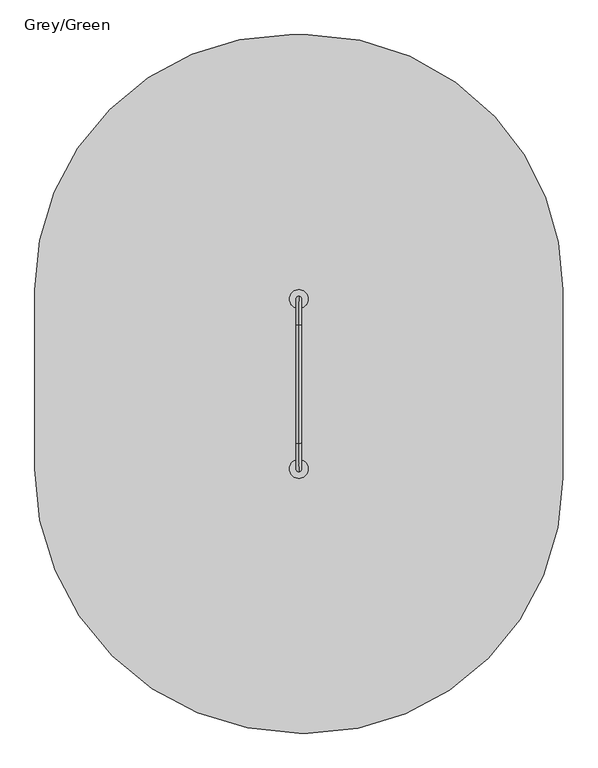
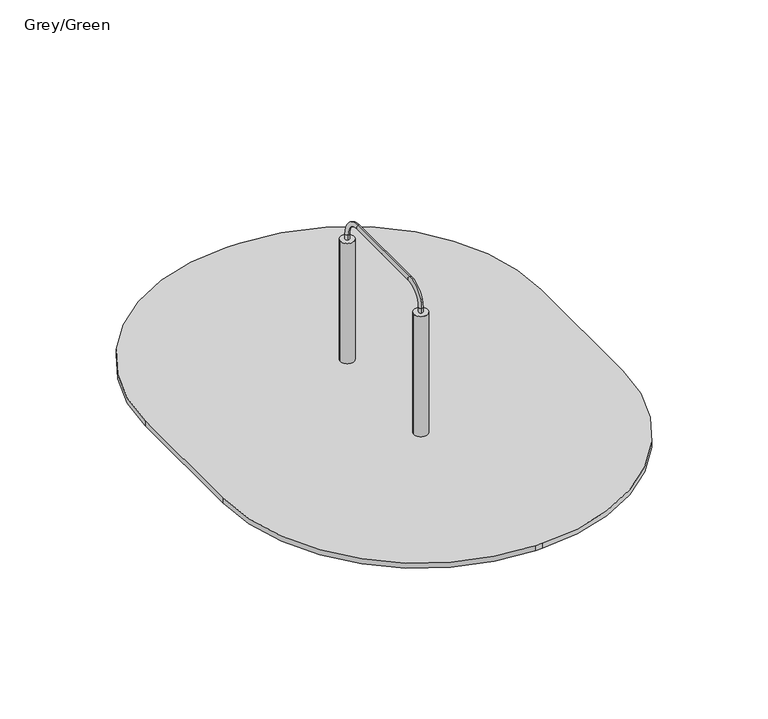
"""IFC4 building model written with IfcOpenShell, lengths in millimetres: furniture geometry, Grey/Green."""

import ifcopenshell
import ifcopenshell.guid

model = None  # the IFC model being written
_history = None  # IfcOwnerHistory: only IFC2X3 demands one
_inside = {}  # id of a spatial element -> (the spatial element, [elements in it])
_under = {}  # id of a project, library or spatial element -> (it, [spatial elements below it])
_declared = {}  # id of a project -> (the project, [libraries it declares])
_typed = {}  # id of a type object -> (the type object, [elements of that type])
_made_of = {}  # id of a material, layer set ... -> (it, [elements and type objects made of it])


def new_model(schema):
    """Start an empty IFC model of exactly this schema.

    Asked for "IFC4X3", IfcOpenShell would pick the latest addendum, in which some entities
    have other attributes; the version numbers below select the first issue.
    IFC2X3 requires an IfcOwnerHistory on every rooted entity: one is made here for all.
    """
    global model, _history
    if schema == "IFC4X3":
        model = ifcopenshell.file(schema_version=(4, 3, 0, 0))
    else:
        model = ifcopenshell.file(schema=schema)
    _inside.clear()
    _under.clear()
    _declared.clear()
    _typed.clear()
    _made_of.clear()
    _history = None
    if model.schema == "IFC2X3":
        org = make("IfcOrganization", Name="unknown")
        user = make(
            "IfcPersonAndOrganization",
            ThePerson=make("IfcPerson", FamilyName="unknown"),
            TheOrganization=org,
        )
        app = make(
            "IfcApplication",
            ApplicationDeveloper=org,
            Version="unknown",
            ApplicationFullName="unknown",
            ApplicationIdentifier="unknown",
        )
        _history = make(
            "IfcOwnerHistory",
            OwningUser=user,
            OwningApplication=app,
            ChangeAction="ADDED",
            CreationDate=0,
        )
    return model


def make(cls, **values):
    """One entity of the class cls with the attributes given. An attribute that is None is left unset."""
    return model.create_entity(
        cls, **{name: value for name, value in values.items() if value is not None}
    )


def rooted(cls, **values):
    """An entity with a GlobalId (a new one), such as an element, a storey or a relation."""
    return make(cls, GlobalId=ifcopenshell.guid.new(), OwnerHistory=_history, **values)


def si_unit(unit_type, name, prefix=None):
    """IfcSIUnit, for example si_unit("LENGTHUNIT", "METRE", prefix="MILLI")."""
    return make("IfcSIUnit", UnitType=unit_type, Prefix=prefix, Name=name)


def assignment(units):
    """IfcUnitAssignment: the units of a project."""
    return None if units is None else make("IfcUnitAssignment", Units=units)


def point(xyz):
    """IfcCartesianPoint."""
    return None if xyz is None else make("IfcCartesianPoint", Coordinates=xyz)


def direction(xyz):
    """IfcDirection."""
    return None if xyz is None else make("IfcDirection", DirectionRatios=xyz)


def frame(location, z_axis=None, x_axis=None):
    """IfcAxis2Placement3D, a coordinate frame: its origin and axes. An axis left out is left unset."""
    return make(
        "IfcAxis2Placement3D",
        Location=point(location),
        Axis=direction(z_axis),
        RefDirection=direction(x_axis),
    )


def frame_2d(location, x_axis=None):
    """IfcAxis2Placement2D, a coordinate frame in the plane: its origin and x axis."""
    return make(
        "IfcAxis2Placement2D", Location=point(location), RefDirection=direction(x_axis)
    )


def origin():
    """The frame at (0, 0, 0) with its axes left unset."""
    return frame((0.0, 0.0, 0.0))


def place(relative_to, where):
    """IfcLocalPlacement: puts the frame where relative to a parent placement (None: the world)."""
    return make(
        "IfcLocalPlacement", PlacementRelTo=relative_to, RelativePlacement=where
    )


def context(
    kind, dimensions, precision=None, world=None, true_north=None, identifier=None
):
    """IfcGeometricRepresentationContext, for example the 3D "Model" context."""
    return make(
        "IfcGeometricRepresentationContext",
        ContextIdentifier=identifier,
        ContextType=kind,
        CoordinateSpaceDimension=dimensions,
        Precision=precision,
        WorldCoordinateSystem=world,
        TrueNorth=true_north,
    )


def project(units=None, contexts=None):
    """IfcProject with its units and contexts."""
    return rooted(
        "IfcProject",
        Name="project",
        RepresentationContexts=contexts,
        UnitsInContext=assignment(units),
    )


def spatial(cls, under=None, at=None, **own):
    """A site, building, storey or space (cls), placed at a placement, below another one or the project."""
    s = rooted(cls, ObjectPlacement=at, **own)
    if under is not None:
        _under.setdefault(under.id(), (under, []))[1].append(s)
    return s


def polyline(points):
    """IfcPolyline through the points."""
    return make("IfcPolyline", Points=[point(p) for p in points])


def circle_curve(where, radius):
    """IfcCircle in the frame where."""
    return make("IfcCircle", Position=where, Radius=radius)


def ellipse_curve(where, semi_axis1, semi_axis2):
    """IfcEllipse in the frame where."""
    return make(
        "IfcEllipse", Position=where, SemiAxis1=semi_axis1, SemiAxis2=semi_axis2
    )


def trimmed(basis, trim1, trim2, sense, master):
    """IfcTrimmedCurve: the piece of a basis curve between two trims."""
    return make(
        "IfcTrimmedCurve",
        BasisCurve=basis,
        Trim1=trim1,
        Trim2=trim2,
        SenseAgreement=sense,
        MasterRepresentation=master,
    )


def segment(curve, same_sense, transition):
    """IfcCompositeCurveSegment."""
    return make(
        "IfcCompositeCurveSegment",
        Transition=transition,
        SameSense=same_sense,
        ParentCurve=curve,
    )


def composite_curve(segments, self_intersect=None):
    """IfcCompositeCurve: segments joined end to end."""
    return make("IfcCompositeCurve", Segments=segments, SelfIntersect=self_intersect)


def outline(outer, holes=None, kind="AREA"):
    """IfcArbitraryClosedProfileDef: a profile drawn as a closed curve; with holes, ...WithVoids."""
    if holes is None:
        return make("IfcArbitraryClosedProfileDef", ProfileType=kind, OuterCurve=outer)
    return make(
        "IfcArbitraryProfileDefWithVoids",
        ProfileType=kind,
        OuterCurve=outer,
        InnerCurves=holes,
    )


def extrude(swept, where, along, depth):
    """IfcExtrudedAreaSolid: the profile swept, set in the frame where, extruded along a direction by depth."""
    return make(
        "IfcExtrudedAreaSolid",
        SweptArea=swept,
        Position=where,
        ExtrudedDirection=direction(along),
        Depth=depth,
    )


def shape(context_of_items, identifier, shape_type, items):
    """IfcShapeRepresentation: the items that make up one representation, for example the "Body"."""
    return make(
        "IfcShapeRepresentation",
        ContextOfItems=context_of_items,
        RepresentationIdentifier=identifier,
        RepresentationType=shape_type,
        Items=items,
    )


def source(mapping_origin, context_of_items, identifier, shape_type, items):
    """IfcRepresentationMap: a shape defined once, which mapped items show again and again."""
    return make(
        "IfcRepresentationMap",
        MappingOrigin=mapping_origin,
        MappedRepresentation=shape(context_of_items, identifier, shape_type, items),
    )


def transform(
    local_origin,
    x_axis=None,
    y_axis=None,
    z_axis=None,
    scale=None,
    scale2=None,
    scale3=None,
    uniform=True,
):
    """IfcCartesianTransformationOperator3D, or its non-uniform kind. x_axis, y_axis, z_axis: its Axis1, 2, 3."""
    if uniform:
        return make(
            "IfcCartesianTransformationOperator3D",
            Axis1=direction(x_axis),
            Axis2=direction(y_axis),
            LocalOrigin=point(local_origin),
            Scale=scale,
            Axis3=direction(z_axis),
        )
    return make(
        "IfcCartesianTransformationOperator3DnonUniform",
        Axis1=direction(x_axis),
        Axis2=direction(y_axis),
        LocalOrigin=point(local_origin),
        Scale=scale,
        Axis3=direction(z_axis),
        Scale2=scale2,
        Scale3=scale3,
    )


def mapped(mapping_source, mapping_target):
    """IfcMappedItem: shows the shape of a source again, moved by a transform."""
    return make(
        "IfcMappedItem", MappingSource=mapping_source, MappingTarget=mapping_target
    )


def made_of(thing, what):
    """Note that an element or type object is made of a material, layer set ...; save() writes the relation."""
    if what is not None:
        _made_of.setdefault(what.id(), (what, []))[1].append(thing)
    return thing


def element(
    cls,
    number,
    at=None,
    inside=None,
    cuts=None,
    type_object=None,
    material=None,
    context=None,
    identifier="Body",
    shape_type=None,
    held_by="IfcProductDefinitionShape",
    body=None,
    shapes=None,
    **own,
):
    """One element of the class cls, such as IfcWall. Its Tag is "e" and its number.

    at: its placement. inside: the storey or other place that contains it. cuts: it is an
    opening in that element (IfcRelVoidsElement). A single representation is given by context,
    identifier, shape_type and body (its items); several are given by shapes. held_by: the class
    of the entity that holds the representations. save() writes the other relations.
    """
    e = rooted(cls, Tag="e%d" % number, ObjectPlacement=at, **own)
    if body is not None:
        shapes = [shape(context, identifier, shape_type, body)]
    if shapes is not None:
        e.Representation = make(held_by, Representations=shapes)
    if inside is not None:
        _inside.setdefault(inside.id(), (inside, []))[1].append(e)
    if cuts is not None:
        rooted(
            "IfcRelVoidsElement", RelatingBuildingElement=cuts, RelatedOpeningElement=e
        )
    if type_object is not None:
        _typed.setdefault(type_object.id(), (type_object, []))[1].append(e)
    return made_of(e, material)


def aggregate(whole, parts):
    """IfcRelAggregates: a whole, such as a stair, and the parts it consists of."""
    return rooted("IfcRelAggregates", RelatingObject=whole, RelatedObjects=parts)


def save(model, path):
    """Write the relations noted so far, then the file.

    IfcRelAggregates (storeys below a building ...), IfcRelContainedInSpatialStructure (elements
    in a storey), IfcRelDefinesByType, IfcRelAssociatesMaterial and IfcRelDeclares: one each for
    every whole, place, type object, material and project.
    """
    for whole, parts in _under.values():
        aggregate(whole, parts)
    for where, things in _inside.values():
        rooted(
            "IfcRelContainedInSpatialStructure",
            RelatedElements=things,
            RelatingStructure=where,
        )
    for kind, things in _typed.values():
        rooted("IfcRelDefinesByType", RelatedObjects=things, RelatingType=kind)
    for what, things in _made_of.values():
        rooted("IfcRelAssociatesMaterial", RelatedObjects=things, RelatingMaterial=what)
    for by, libraries in _declared.values():
        rooted("IfcRelDeclares", RelatingContext=by, RelatedDefinitions=libraries)
    model.write(path)


def plane_surface(at):
    """IfcPlane: the flat surface through the origin of the frame at, square to its z axis."""
    return make("IfcPlane", Position=at)


def cylinder_surface(at, radius):
    """IfcCylindricalSurface: all points at the distance radius from the z axis of the frame at."""
    return make("IfcCylindricalSurface", Position=at, Radius=radius)


def revolved_surface(curve, axis_point, axis_direction):
    """IfcSurfaceOfRevolution: the curve turned about the line through axis_point along axis_direction."""
    return make(
        "IfcSurfaceOfRevolution",
        SweptCurve=make("IfcArbitraryOpenProfileDef", ProfileType="CURVE", Curve=curve),
        AxisPosition=make("IfcAxis1Placement", Location=point(axis_point), Axis=direction(axis_direction)),
    )


def extruded_surface(curve, direction_of_extrusion, depth):
    """IfcSurfaceOfLinearExtrusion: the curve pushed along a direction by depth."""
    return make(
        "IfcSurfaceOfLinearExtrusion",
        SweptCurve=make("IfcArbitraryOpenProfileDef", ProfileType="CURVE", Curve=curve),
        ExtrudedDirection=direction(direction_of_extrusion),
        Depth=depth,
    )


def advanced_brep(points, edges, surfaces, faces):
    """IfcAdvancedBrep: a solid bounded by faces that lie on surfaces and meet in shared edges.

    An edge is (start, end): straight between two places in points (the first is 0);
    or (start, end, curve); or (start, end, curve, False) where it runs against its curve.
    A face is (place in surfaces, loops), or (place, loops, False) where it looks against
    its surface's normal. A loop lists edges by number (the first is 1), with a minus sign
    where the edge is run from its end to its start. The first loop is the outer one.
    """
    corners = [point(p) for p in points]
    vertices = [make("IfcVertexPoint", VertexGeometry=c) for c in corners]
    made = []
    for start, end, *more in edges:
        made.append(
            make(
                "IfcEdgeCurve",
                EdgeStart=vertices[start],
                EdgeEnd=vertices[end],
                EdgeGeometry=more[0] if more else make("IfcPolyline", Points=[corners[start], corners[end]]),
                SameSense=more[1] if len(more) > 1 else True,
            )
        )
    hull = []
    for where, loops, *sense in faces:
        bounds = []
        for j, loop in enumerate(loops):
            ring = [make("IfcOrientedEdge", EdgeElement=made[abs(k) - 1], Orientation=k > 0) for k in loop]
            bounds.append(
                make(
                    "IfcFaceOuterBound" if j == 0 else "IfcFaceBound",
                    Bound=make("IfcEdgeLoop", EdgeList=ring),
                    Orientation=True,
                )
            )
        hull.append(make("IfcAdvancedFace", Bounds=bounds, FaceSurface=surfaces[where], SameSense=sense[0] if sense else True))
    return make("IfcAdvancedBrep", Outer=make("IfcClosedShell", CfsFaces=hull))


def grey_green_2dcb9e3e(model_context):
    return source(origin(), model_context, "Body", "SolidModel", [
        advanced_brep(
        [(572.5, 1072.4599432, -225.0), (560.0, 1072.4599432, -225.0), (547.5, 1072.4599432, -225.0), (487.5, 1012.4599432, -225.0), (487.5, 987.4599432, -225.0), (547.5, 927.4599432, -225.0), (572.5, 927.4599432, -225.0), (632.5, 987.4599432, -225.0), (632.5, 1012.4599432, -225.0), (650.0, 1150.0, -460.0), (560.0, 1150.0, -460.0), (470.0, 1150.0, -460.0), (410.0, 1090.0, -460.0), (410.0, 910.0, -460.0), (470.0, 850.0, -460.0), (650.0, 850.0, -460.0), (710.0, 910.0, -460.0), (710.0, 1090.0, -460.0), (650.0, 1150.0, -600.0), (710.0, 1090.0, -600.0), (710.0, 910.0, -600.0), (650.0, 850.0, -600.0), (470.0, 850.0, -600.0), (410.0, 910.0, -600.0), (410.0, 1090.0, -600.0), (470.0, 1150.0, -600.0), (560.0, 1150.0, -600.0)],
        [
            (0, 1),
            (1, 2),
            (2, 3, circle_curve(frame((547.5, 1012.4599432, -225.0), z_axis=(0.0, 0.0, 1.0), x_axis=(1.0, 0.0, 0.0)), 60.0)),
            (3, 4),
            (4, 5, circle_curve(frame((547.5, 987.4599432, -225.0), z_axis=(0.0, 0.0, 1.0), x_axis=(1.0, 0.0, 0.0)), 60.0)),
            (5, 6),
            (6, 7, circle_curve(frame((572.5, 987.4599432, -225.0), z_axis=(0.0, 0.0, 1.0), x_axis=(1.0, 0.0, 0.0)), 60.0)),
            (7, 8),
            (8, 0, circle_curve(frame((572.5, 1012.4599432, -225.0), z_axis=(0.0, 0.0, 1.0), x_axis=(1.0, 0.0, 0.0)), 60.0)),
            (0, 9),
            (9, 10),
            (10, 1),
            (10, 11),
            (11, 2),
            (11, 12, circle_curve(frame((470.0, 1090.0, -460.0), z_axis=(0.0, 0.0, 1.0), x_axis=(1.0, 0.0, 0.0)), 60.0)),
            (12, 3),
            (12, 13),
            (13, 4),
            (13, 14, circle_curve(frame((470.0, 910.0, -460.0), z_axis=(0.0, 0.0, 1.0), x_axis=(1.0, 0.0, 0.0)), 60.0)),
            (14, 5),
            (14, 15),
            (15, 6),
            (15, 16, circle_curve(frame((650.0, 910.0, -460.0), z_axis=(0.0, 0.0, 1.0), x_axis=(1.0, 0.0, 0.0)), 60.0)),
            (16, 7),
            (16, 17),
            (17, 8),
            (17, 9, circle_curve(frame((650.0, 1090.0, -460.0), z_axis=(0.0, 0.0, 1.0), x_axis=(1.0, 0.0, 0.0)), 60.0)),
            (18, 19, circle_curve(frame((650.0, 1090.0, -600.0), z_axis=(0.0, 0.0, -1.0), x_axis=(1.0, 0.0, 0.0)), 60.0)),
            (19, 20),
            (20, 21, circle_curve(frame((650.0, 910.0, -600.0), z_axis=(0.0, 0.0, -1.0), x_axis=(1.0, 0.0, 0.0)), 60.0)),
            (21, 22),
            (22, 23, circle_curve(frame((470.0, 910.0, -600.0), z_axis=(0.0, 0.0, -1.0), x_axis=(1.0, 0.0, 0.0)), 60.0)),
            (23, 24),
            (24, 25, circle_curve(frame((470.0, 1090.0, -600.0), z_axis=(0.0, 0.0, -1.0), x_axis=(1.0, 0.0, 0.0)), 60.0)),
            (25, 26),
            (26, 18),
            (26, 10),
            (9, 18),
            (25, 11),
            (23, 13),
            (12, 24),
            (21, 15),
            (14, 22),
            (19, 17),
            (16, 20),
        ],
        [
            plane_surface(frame((560.0, 1008.0154988, -225.0), z_axis=(0.0, 0.0, 1.0), x_axis=(-1.0, 0.0, 0.0))),
            plane_surface(frame((566.25, 1072.4599432, -225.0), z_axis=(0.0, 0.9496406059136844, 0.3133412191204512), x_axis=(1.0, 0.0, 0.0))),
            plane_surface(frame((553.75, 1072.4599432, -225.0), z_axis=(0.0, 0.9496406059136843, 0.3133412191204512), x_axis=(1.0, 0.0, 0.0))),
            extruded_surface(trimmed(circle_curve(frame((547.5, 1012.4599432, -225.0), z_axis=(0.0, 0.0, -1.0), x_axis=(1.0, 0.0, 0.0)), 60.0), [point((487.5, 1012.4599432, -225.0))], [point((547.5, 1072.4599432, -225.0))], True, "CARTESIAN"), (-77.5, 77.5400568, -235.0), 259.3139225119763),
            plane_surface(frame((487.5, 999.9599432, -225.0), z_axis=(-0.9496887635303409, 0.0, 0.31319523052596476), x_axis=(0.0, 1.0, 0.0))),
            extruded_surface(trimmed(circle_curve(frame((547.5, 987.4599432, -225.0), z_axis=(0.0, 0.0, -1.0), x_axis=(1.0, 0.0, 0.0)), 60.0), [point((547.5, 927.4599432, -225.0))], [point((487.5, 987.4599432, -225.0))], True, "CARTESIAN"), (-77.5, -77.4599432, -235.0), 259.2899782107809),
            plane_surface(frame((560.0, 927.4599432, -225.0), z_axis=(0.0, -0.9497369035840961, 0.3130492197250991), x_axis=(-1.0, 0.0, 0.0))),
            extruded_surface(trimmed(circle_curve(frame((572.5, 987.4599432, -225.0), z_axis=(0.0, 0.0, -1.0), x_axis=(1.0, 0.0, 0.0)), 60.0), [point((632.5, 987.4599432, -225.0))], [point((572.5, 927.4599432, -225.0))], True, "CARTESIAN"), (77.5, -77.4599432, -235.0), 259.2899782107809),
            plane_surface(frame((632.5, 999.9599432, -225.0), z_axis=(0.9496887635303416, 0.0, 0.3131952305259627), x_axis=(0.0, -1.0, 0.0))),
            extruded_surface(trimmed(circle_curve(frame((572.5, 1012.4599432, -225.0), z_axis=(0.0, 0.0, -1.0), x_axis=(1.0, 0.0, 0.0)), 60.0), [point((572.5, 1072.4599432, -225.0))], [point((632.5, 1012.4599432, -225.0))], True, "CARTESIAN"), (77.5, 77.5400568, -235.0), 259.3139225119763),
            plane_surface(frame((560.0, 1150.0, -600.0), z_axis=(0.0, 0.0, -1.0), x_axis=(1.0, 0.0, 0.0))),
            plane_surface(frame((650.0, 1150.0, -460.0), z_axis=(0.0, 1.0, 0.0), x_axis=(0.0, 0.0, -1.0))),
            plane_surface(frame((560.0, 1150.0, -460.0), z_axis=(0.0, 1.0, 0.0), x_axis=(0.0, 0.0, -1.0))),
            plane_surface(frame((410.0, 1090.0, -460.0), z_axis=(-1.0, 0.0, 0.0), x_axis=(0.0, 0.0, -1.0))),
            plane_surface(frame((470.0, 850.0, -460.0), z_axis=(0.0, -1.0, 0.0), x_axis=(0.0, 0.0, -1.0))),
            plane_surface(frame((710.0, 910.0, -460.0), z_axis=(1.0, 0.0, 0.0), x_axis=(0.0, 0.0, -1.0))),
            cylinder_surface(frame((470.0, 1090.0, -600.0), z_axis=(0.0, 0.0, 1.0), x_axis=(1.0, 0.0, 0.0)), 60.0),
            cylinder_surface(frame((470.0, 910.0, -600.0), z_axis=(0.0, 0.0, 1.0), x_axis=(1.0, 0.0, 0.0)), 60.0),
            cylinder_surface(frame((650.0, 910.0, -600.0), z_axis=(0.0, 0.0, 1.0), x_axis=(1.0, 0.0, 0.0)), 60.0),
            cylinder_surface(frame((650.0, 1090.0, -600.0), z_axis=(0.0, 0.0, 1.0), x_axis=(1.0, 0.0, 0.0)), 60.0),
        ],
        [
            (0, [[1, 2, 3, 4, 5, 6, 7, 8, 9]]),
            (1, [[-1, 10, 11, 12]]),
            (2, [[-2, -12, 13, 14]]),
            (3, [[-3, -14, 15, 16]]),
            (4, [[-4, -16, 17, 18]]),
            (5, [[-5, -18, 19, 20]]),
            (6, [[-6, -20, 21, 22]]),
            (7, [[-7, -22, 23, 24]]),
            (8, [[-8, -24, 25, 26]]),
            (9, [[-9, -26, 27, -10]]),
            (10, [[28, 29, 30, 31, 32, 33, 34, 35, 36]]),
            (11, [[-36, 37, -11, 38]]),
            (12, [[-35, 39, -13, -37]]),
            (13, [[-33, 40, -17, 41]]),
            (14, [[-31, 42, -21, 43]]),
            (15, [[-29, 44, -25, 45]]),
            (16, [[-34, -41, -15, -39]]),
            (17, [[-32, -43, -19, -40]]),
            (18, [[-30, -45, -23, -42]]),
            (19, [[-28, -38, -27, -44]]),
        ],
    ),
        extrude(outline(composite_curve([segment(trimmed(circle_curve(frame_2d((560.0, 1000.0)), 55.0), [point((505.0, 1000.0))], [point((615.0, 1000.0))], False, "CARTESIAN"), True, "CONTINUOUS"), segment(trimmed(circle_curve(frame_2d((560.0, 1000.0)), 55.0), [point((615.0, 1000.0))], [point((505.0, 1000.0))], False, "CARTESIAN"), True, "CONTINUOUS")], self_intersect=False)), frame((0.0, 0.0, -600.0), z_axis=(0.0, 0.0, 1.0), x_axis=(1.0, 0.0, 0.0)), (0.0, 0.0, 1.0), 500.0),
        advanced_brep(
        [(572.5, 72.4599432, -225.0), (560.0, 72.4599432, -225.0), (547.5, 72.4599432, -225.0), (487.5, 12.4599432, -225.0), (487.5, -12.5400568, -225.0), (547.5, -72.5400568, -225.0), (572.5, -72.5400568, -225.0), (632.5, -12.5400568, -225.0), (632.5, 12.4599432, -225.0), (650.0, 150.0, -460.0), (560.0, 150.0, -460.0), (470.0, 150.0, -460.0), (410.0, 90.0, -460.0), (410.0, -90.0, -460.0), (470.0, -150.0, -460.0), (650.0, -150.0, -460.0), (710.0, -90.0, -460.0), (710.0, 90.0, -460.0), (650.0, 150.0, -600.0), (710.0, 90.0, -600.0), (710.0, -90.0, -600.0), (650.0, -150.0, -600.0), (470.0, -150.0, -600.0), (410.0, -90.0, -600.0), (410.0, 90.0, -600.0), (470.0, 150.0, -600.0), (560.0, 150.0, -600.0)],
        [
            (0, 1),
            (1, 2),
            (2, 3, circle_curve(frame((547.5, 12.4599432, -225.0), z_axis=(0.0, 0.0, 1.0), x_axis=(1.0, 0.0, 0.0)), 60.0)),
            (3, 4),
            (4, 5, circle_curve(frame((547.5, -12.5400568, -225.0), z_axis=(0.0, 0.0, 1.0), x_axis=(1.0, 0.0, 0.0)), 60.0)),
            (5, 6),
            (6, 7, circle_curve(frame((572.5, -12.5400568, -225.0), z_axis=(0.0, 0.0, 1.0), x_axis=(1.0, 0.0, 0.0)), 60.0)),
            (7, 8),
            (8, 0, circle_curve(frame((572.5, 12.4599432, -225.0), z_axis=(0.0, 0.0, 1.0), x_axis=(1.0, 0.0, 0.0)), 60.0)),
            (0, 9),
            (9, 10),
            (10, 1),
            (10, 11),
            (11, 2),
            (11, 12, circle_curve(frame((470.0, 90.0, -460.0), z_axis=(0.0, 0.0, 1.0), x_axis=(1.0, 0.0, 0.0)), 60.0)),
            (12, 3),
            (12, 13),
            (13, 4),
            (13, 14, circle_curve(frame((470.0, -90.0, -460.0), z_axis=(0.0, 0.0, 1.0), x_axis=(1.0, 0.0, 0.0)), 60.0)),
            (14, 5),
            (14, 15),
            (15, 6),
            (15, 16, circle_curve(frame((650.0, -90.0, -460.0), z_axis=(0.0, 0.0, 1.0), x_axis=(1.0, 0.0, 0.0)), 60.0)),
            (16, 7),
            (16, 17),
            (17, 8),
            (17, 9, circle_curve(frame((650.0, 90.0, -460.0), z_axis=(0.0, 0.0, 1.0), x_axis=(1.0, 0.0, 0.0)), 60.0)),
            (18, 19, circle_curve(frame((650.0, 90.0, -600.0), z_axis=(0.0, 0.0, -1.0), x_axis=(1.0, 0.0, 0.0)), 60.0)),
            (19, 20),
            (20, 21, circle_curve(frame((650.0, -90.0, -600.0), z_axis=(0.0, 0.0, -1.0), x_axis=(1.0, 0.0, 0.0)), 60.0)),
            (21, 22),
            (22, 23, circle_curve(frame((470.0, -90.0, -600.0), z_axis=(0.0, 0.0, -1.0), x_axis=(1.0, 0.0, 0.0)), 60.0)),
            (23, 24),
            (24, 25, circle_curve(frame((470.0, 90.0, -600.0), z_axis=(0.0, 0.0, -1.0), x_axis=(1.0, 0.0, 0.0)), 60.0)),
            (25, 26),
            (26, 18),
            (26, 10),
            (9, 18),
            (25, 11),
            (23, 13),
            (12, 24),
            (21, 15),
            (14, 22),
            (19, 17),
            (16, 20),
        ],
        [
            plane_surface(frame((560.0, 8.0154988, -225.0), z_axis=(0.0, 0.0, 1.0), x_axis=(-1.0, 0.0, 0.0))),
            plane_surface(frame((566.25, 72.4599432, -225.0), z_axis=(0.0, 0.9496406059136844, 0.3133412191204512), x_axis=(1.0, 0.0, 0.0))),
            plane_surface(frame((553.75, 72.4599432, -225.0), z_axis=(0.0, 0.9496406059136843, 0.3133412191204512), x_axis=(1.0, 0.0, 0.0))),
            extruded_surface(trimmed(circle_curve(frame((547.5, 12.4599432, -225.0), z_axis=(0.0, 0.0, -1.0), x_axis=(1.0, 0.0, 0.0)), 60.0), [point((487.5, 12.4599432, -225.0))], [point((547.5, 72.4599432, -225.0))], True, "CARTESIAN"), (-77.5, 77.5400568, -235.0), 259.3139225119763),
            plane_surface(frame((487.5, -0.0400568, -225.0), z_axis=(-0.9496887635303409, 0.0, 0.31319523052596476), x_axis=(0.0, 1.0, 0.0))),
            extruded_surface(trimmed(circle_curve(frame((547.5, -12.5400568, -225.0), z_axis=(0.0, 0.0, -1.0), x_axis=(1.0, 0.0, 0.0)), 60.0), [point((547.5, -72.5400568, -225.0))], [point((487.5, -12.5400568, -225.0))], True, "CARTESIAN"), (-77.5, -77.4599432, -235.0), 259.2899782107809),
            plane_surface(frame((560.0, -72.5400568, -225.0), z_axis=(0.0, -0.9497369035840961, 0.3130492197250991), x_axis=(-1.0, 0.0, 0.0))),
            extruded_surface(trimmed(circle_curve(frame((572.5, -12.5400568, -225.0), z_axis=(0.0, 0.0, -1.0), x_axis=(1.0, 0.0, 0.0)), 60.0), [point((632.5, -12.5400568, -225.0))], [point((572.5, -72.5400568, -225.0))], True, "CARTESIAN"), (77.5, -77.4599432, -235.0), 259.2899782107809),
            plane_surface(frame((632.5, -0.0400568, -225.0), z_axis=(0.9496887635303416, 0.0, 0.3131952305259627), x_axis=(0.0, -1.0, 0.0))),
            extruded_surface(trimmed(circle_curve(frame((572.5, 12.4599432, -225.0), z_axis=(0.0, 0.0, -1.0), x_axis=(1.0, 0.0, 0.0)), 60.0), [point((572.5, 72.4599432, -225.0))], [point((632.5, 12.4599432, -225.0))], True, "CARTESIAN"), (77.5, 77.5400568, -235.0), 259.3139225119763),
            plane_surface(frame((560.0, 150.0, -600.0), z_axis=(0.0, 0.0, -1.0), x_axis=(1.0, 0.0, 0.0))),
            plane_surface(frame((650.0, 150.0, -460.0), z_axis=(0.0, 1.0, 0.0), x_axis=(0.0, 0.0, -1.0))),
            plane_surface(frame((560.0, 150.0, -460.0), z_axis=(0.0, 1.0, 0.0), x_axis=(0.0, 0.0, -1.0))),
            plane_surface(frame((410.0, 90.0, -460.0), z_axis=(-1.0, 0.0, 0.0), x_axis=(0.0, 0.0, -1.0))),
            plane_surface(frame((470.0, -150.0, -460.0), z_axis=(0.0, -1.0, 0.0), x_axis=(0.0, 0.0, -1.0))),
            plane_surface(frame((710.0, -90.0, -460.0), z_axis=(1.0, 0.0, 0.0), x_axis=(0.0, 0.0, -1.0))),
            cylinder_surface(frame((470.0, 90.0, -600.0), z_axis=(0.0, 0.0, 1.0), x_axis=(1.0, 0.0, 0.0)), 60.0),
            cylinder_surface(frame((470.0, -90.0, -600.0), z_axis=(0.0, 0.0, 1.0), x_axis=(1.0, 0.0, 0.0)), 60.0),
            cylinder_surface(frame((650.0, -90.0, -600.0), z_axis=(0.0, 0.0, 1.0), x_axis=(1.0, 0.0, 0.0)), 60.0),
            cylinder_surface(frame((650.0, 90.0, -600.0), z_axis=(0.0, 0.0, 1.0), x_axis=(1.0, 0.0, 0.0)), 60.0),
        ],
        [
            (0, [[1, 2, 3, 4, 5, 6, 7, 8, 9]]),
            (1, [[-1, 10, 11, 12]]),
            (2, [[-2, -12, 13, 14]]),
            (3, [[-3, -14, 15, 16]]),
            (4, [[-4, -16, 17, 18]]),
            (5, [[-5, -18, 19, 20]]),
            (6, [[-6, -20, 21, 22]]),
            (7, [[-7, -22, 23, 24]]),
            (8, [[-8, -24, 25, 26]]),
            (9, [[-9, -26, 27, -10]]),
            (10, [[28, 29, 30, 31, 32, 33, 34, 35, 36]]),
            (11, [[-36, 37, -11, 38]]),
            (12, [[-35, 39, -13, -37]]),
            (13, [[-33, 40, -17, 41]]),
            (14, [[-31, 42, -21, 43]]),
            (15, [[-29, 44, -25, 45]]),
            (16, [[-34, -41, -15, -39]]),
            (17, [[-32, -43, -19, -40]]),
            (18, [[-30, -45, -23, -42]]),
            (19, [[-28, -38, -27, -44]]),
        ],
    ),
        extrude(outline(composite_curve([segment(trimmed(circle_curve(frame_2d((560.0, 0.0)), 55.0), [point((505.0, 0.0))], [point((615.0, 0.0))], False, "CARTESIAN"), True, "CONTINUOUS"), segment(trimmed(circle_curve(frame_2d((560.0, 0.0)), 55.0), [point((615.0, 0.0))], [point((505.0, 0.0))], False, "CARTESIAN"), True, "CONTINUOUS")], self_intersect=False)), frame((0.0, 0.0, -600.0), z_axis=(0.0, 0.0, 1.0), x_axis=(1.0, 0.0, 0.0)), (0.0, 0.0, 1.0), 500.0),
        advanced_brep(
        [(560.0, 1016.0, 1000.0), (560.0, 984.0, 1000.0), (560.0, 1016.0, 1040.0), (560.0, 984.0, 1040.0), (560.0, 850.0, 1174.0), (560.0, 850.0, 1206.0), (560.0, 150.0, 1206.0), (560.0, 150.0, 1174.0), (560.0, 16.0, 1040.0), (560.0, -16.0, 1040.0), (560.0, -16.0, 1000.0), (560.0, 16.0, 1000.0)],
        [
            (0, 1, circle_curve(frame((560.0, 1000.0, 1000.0), z_axis=(0.0, 0.0, -1.0), x_axis=(0.0, -1.0, 0.0)), 16.0)),
            (1, 0, circle_curve(frame((560.0, 1000.0, 1000.0), z_axis=(0.0, 0.0, -1.0), x_axis=(0.0, -1.0, 0.0)), 16.0)),
            (0, 2),
            (2, 3, circle_curve(frame((560.0, 1000.0, 1040.0), z_axis=(0.0, 0.0, -1.0), x_axis=(0.0, -1.0, 0.0)), 16.0)),
            (3, 1),
            (3, 2, circle_curve(frame((560.0, 1000.0, 1040.0), z_axis=(0.0, 0.0, -1.0), x_axis=(0.0, -1.0, 0.0)), 16.0)),
            (4, 3, circle_curve(frame((560.0, 850.0, 1040.0), z_axis=(-1.0, 0.0, 0.0), x_axis=(0.0, 1.0, 0.0)), 134.0)),
            (2, 5, circle_curve(frame((560.0, 850.0, 1040.0), z_axis=(1.0, 0.0, 0.0), x_axis=(0.0, 1.0, 0.0)), 166.0)),
            (5, 4, circle_curve(frame((560.0, 850.0, 1190.0), z_axis=(0.0, 1.0, 0.0), x_axis=(0.0, 0.0, -1.0)), 16.0)),
            (4, 5, circle_curve(frame((560.0, 850.0, 1190.0), z_axis=(0.0, 1.0, 0.0), x_axis=(0.0, 0.0, -1.0)), 16.0)),
            (5, 6),
            (6, 7, circle_curve(frame((560.0, 150.0, 1190.0), z_axis=(0.0, 1.0, 0.0), x_axis=(0.0, 0.0, -1.0)), 16.0)),
            (7, 4),
            (7, 6, circle_curve(frame((560.0, 150.0, 1190.0), z_axis=(0.0, 1.0, 0.0), x_axis=(0.0, 0.0, -1.0)), 16.0)),
            (8, 7, circle_curve(frame((560.0, 150.0, 1040.0), z_axis=(-1.0, 0.0, 0.0), x_axis=(0.0, 0.0, 1.0)), 134.0)),
            (6, 9, circle_curve(frame((560.0, 150.0, 1040.0), z_axis=(1.0, 0.0, 0.0), x_axis=(0.0, 0.0, 1.0)), 166.0)),
            (9, 8, circle_curve(frame((560.0, 0.0, 1040.0), z_axis=(0.0, 0.0, 1.0), x_axis=(0.0, 1.0, 0.0)), 16.0)),
            (8, 9, circle_curve(frame((560.0, 0.0, 1040.0), z_axis=(0.0, 0.0, 1.0), x_axis=(0.0, 1.0, 0.0)), 16.0)),
            (10, 11, circle_curve(frame((560.0, 0.0, 1000.0), z_axis=(0.0, 0.0, -1.0), x_axis=(0.0, 1.0, 0.0)), 16.0)),
            (11, 10, circle_curve(frame((560.0, 0.0, 1000.0), z_axis=(0.0, 0.0, -1.0), x_axis=(0.0, 1.0, 0.0)), 16.0)),
            (9, 10),
            (11, 8),
        ],
        [
            plane_surface(frame((560.0, 1000.0, 1000.0), z_axis=(0.0, 0.0, -1.0), x_axis=(1.0, 0.0, 0.0))),
            cylinder_surface(frame((560.0, 1000.0, 1000.0), z_axis=(0.0, 0.0, -1.0), x_axis=(0.0, -1.0, 0.0)), 16.0),
            revolved_surface(trimmed(ellipse_curve(frame((560.0, 1000.0, 1040.0), z_axis=(0.0, 0.0, -1.0), x_axis=(0.0, -1.0, 0.0)), 16.0, 16.0), [point((560.0, 1016.0, 1040.0))], [point((560.0, 984.0, 1040.0))], True, "CARTESIAN"), (560.0, 850.0, 1040.0), (1.0, 0.0, 0.0)),
            revolved_surface(trimmed(ellipse_curve(frame((560.0, 1000.0, 1040.0), z_axis=(0.0, 0.0, -1.0), x_axis=(0.0, -1.0, 0.0)), 16.0, 16.0), [point((560.0, 984.0, 1040.0))], [point((560.0, 1016.0, 1040.0))], True, "CARTESIAN"), (560.0, 850.0, 1040.0), (1.0, 0.0, 0.0)),
            cylinder_surface(frame((560.0, 850.0, 1190.0), z_axis=(0.0, 1.0, 0.0), x_axis=(0.0, 0.0, -1.0)), 16.0),
            revolved_surface(trimmed(ellipse_curve(frame((560.0, 150.0, 1190.0), z_axis=(0.0, 1.0, 0.0), x_axis=(0.0, 0.0, -1.0)), 16.0, 16.0), [point((560.0, 150.0, 1206.0))], [point((560.0, 150.0, 1174.0))], True, "CARTESIAN"), (560.0, 150.0, 1040.0), (1.0, 0.0, 0.0)),
            revolved_surface(trimmed(ellipse_curve(frame((560.0, 150.0, 1190.0), z_axis=(0.0, 1.0, 0.0), x_axis=(0.0, 0.0, -1.0)), 16.0, 16.0), [point((560.0, 150.0, 1174.0))], [point((560.0, 150.0, 1206.0))], True, "CARTESIAN"), (560.0, 150.0, 1040.0), (1.0, 0.0, 0.0)),
            plane_surface(frame((560.0, 0.0, 1000.0), z_axis=(0.0, 0.0, -1.0), x_axis=(1.0, 0.0, 0.0))),
            cylinder_surface(frame((560.0, 0.0, 1040.0), z_axis=(0.0, 0.0, 1.0), x_axis=(0.0, 1.0, 0.0)), 16.0),
        ],
        [
            (0, [[1, 2]]),
            (1, [[-1, 3, 4, 5]]),
            (1, [[-2, -5, 6, -3]]),
            (2, [[7, -4, 8, 9]]),
            (3, [[-8, -6, -7, 10]]),
            (4, [[-9, 11, 12, 13]]),
            (4, [[-10, -13, 14, -11]]),
            (5, [[15, -12, 16, 17]]),
            (6, [[-16, -14, -15, 18]]),
            (7, [[19, 20]]),
            (8, [[-17, 21, -20, 22]]),
            (8, [[-18, -22, -19, -21]]),
        ],
    ),
        extrude(outline(composite_curve([segment(trimmed(circle_curve(frame_2d((615.0, 1055.0)), 1500.0), [point((615.0, 2555.0))], [point((1715.2325264, 2074.5530333))], False, "CARTESIAN"), True, "CONTINUOUS"), segment(trimmed(circle_curve(frame_2d((615.0, 1055.0)), 1500.0), [point((1715.2325264, 2074.5530333))], [point((2115.0, 1055.0))], False, "CARTESIAN"), True, "CONTINUOUS"), segment(polyline([(2115.0, 1055.0), (2115.0, -55.0)]), True, "CONTINUOUS"), segment(trimmed(circle_curve(frame_2d((615.0, -55.0)), 1500.0), [point((2115.0, -55.0))], [point((615.0, -1555.0))], False, "CARTESIAN"), True, "CONTINUOUS"), segment(polyline([(615.0, -1555.0), (560.0, -1555.0)]), True, "CONTINUOUS"), segment(trimmed(circle_curve(frame_2d((560.0, 0.0)), 1555.0), [point((560.0, -1555.0))], [point((-995.0, 0.0))], False, "CARTESIAN"), True, "CONTINUOUS"), segment(polyline([(-995.0, 0.0), (-995.0, 1055.0)]), True, "CONTINUOUS"), segment(trimmed(circle_curve(frame_2d((505.0, 1055.0)), 1500.0), [point((-995.0, 1055.0))], [point((505.0, 2555.0))], False, "CARTESIAN"), True, "CONTINUOUS"), segment(polyline([(505.0, 2555.0), (615.0, 2555.0)]), True, "CONTINUOUS")], self_intersect=False)), frame((0.0, 0.0, -40.0), z_axis=(0.0, 0.0, 1.0), x_axis=(1.0, 0.0, 0.0)), (0.0, 0.0, 1.0), 41.0),
        extrude(outline(composite_curve([segment(trimmed(circle_curve(frame_2d((560.0, 0.0)), 55.0), [point((505.0, 0.0))], [point((615.0, 0.0))], False, "CARTESIAN"), True, "CONTINUOUS"), segment(trimmed(circle_curve(frame_2d((560.0, 0.0)), 55.0), [point((615.0, 0.0))], [point((505.0, 0.0))], False, "CARTESIAN"), True, "CONTINUOUS")], self_intersect=False)), frame((0.0, 0.0, -100.0), z_axis=(0.0, 0.0, 1.0), x_axis=(1.0, 0.0, 0.0)), (0.0, 0.0, 1.0), 1100.0),
        extrude(outline(composite_curve([segment(trimmed(circle_curve(frame_2d((560.0, 1000.0)), 55.0), [point((505.0, 1000.0))], [point((615.0, 1000.0))], False, "CARTESIAN"), True, "CONTINUOUS"), segment(trimmed(circle_curve(frame_2d((560.0, 1000.0)), 55.0), [point((615.0, 1000.0))], [point((505.0, 1000.0))], False, "CARTESIAN"), True, "CONTINUOUS")], self_intersect=False)), frame((0.0, 0.0, -100.0), z_axis=(0.0, 0.0, 1.0), x_axis=(1.0, 0.0, 0.0)), (0.0, 0.0, 1.0), 1100.0),
    ])


if __name__ == "__main__":
    model = new_model("IFC4")
    model_context = context("Model", 3, world=origin())
    ifc_project = project(units=[si_unit("LENGTHUNIT", "METRE", prefix="MILLI")], contexts=[model_context])
    site = spatial("IfcSite", under=ifc_project)
    building = spatial("IfcBuilding", under=site)
    placement = place(None, origin())
    grey_green_shape = grey_green_2dcb9e3e(model_context)
    element("IfcFurniture", 1, ObjectType="Grey/Green", at=placement, inside=building, context=model_context, shape_type="MappedRepresentation", body=[
        mapped(grey_green_shape, transform((0.0, 0.0, 0.0), x_axis=(1.0, 0.0, 0.0), y_axis=(0.0, 1.0, 0.0), z_axis=(0.0, 0.0, 1.0))),
    ])
    save(model, "model.ifc")
